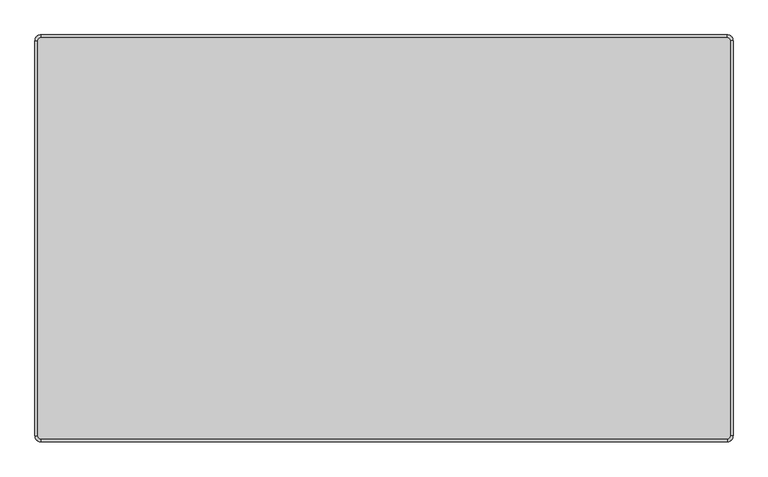
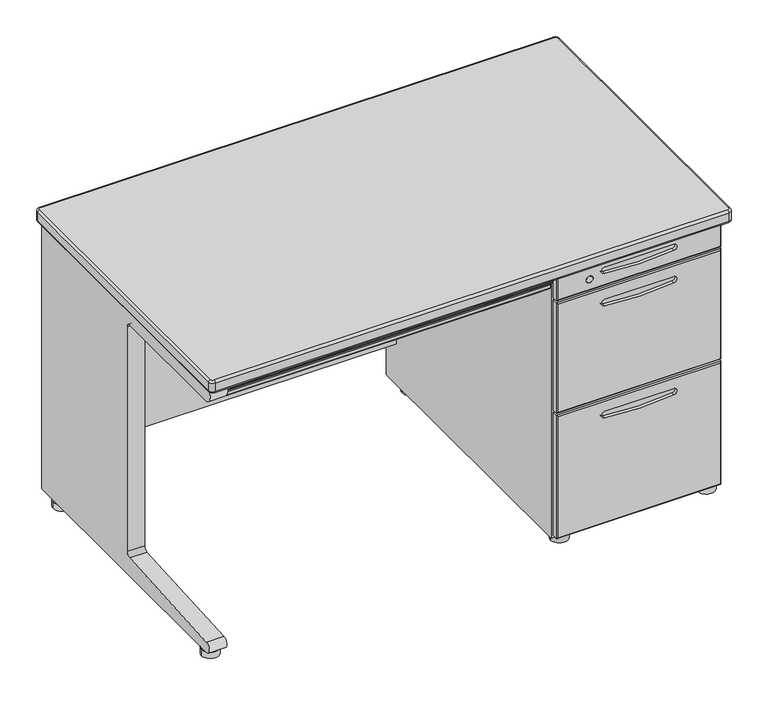
"""IFC4 building model written with IfcOpenShell, lengths in millimetres: furniture geometry."""

from ifc_helpers import new_model, si_unit, point, frame, frame_2d, origin, place, context, project, spatial, polyline, circle_curve, ellipse_curve, trimmed, segment, composite_curve, outline, extrude, source, transform, mapped, element, save
from ifc_brep_helpers import plane_surface, cylinder_surface, revolved_surface, advanced_brep


def furniture_138b15d9(model_context):
    return source(origin(), model_context, "Body", "SolidModel", [
        extrude(outline(composite_curve([segment(trimmed(circle_curve(frame_2d((630.0, 282.0)), 7.5), [point((630.0, 274.5))], [point((630.0, 289.5))], False, "CARTESIAN"), True, "CONTINUOUS"), segment(trimmed(circle_curve(frame_2d((630.0, 282.0)), 7.5), [point((630.0, 289.5))], [point((630.0, 274.5))], False, "CARTESIAN"), True, "CONTINUOUS")], self_intersect=False)), frame((0.0, -330.0, 0.0), z_axis=(0.0, 1.0, 0.0), x_axis=(0.0, 0.0, 1.0)), (0.0, 0.0, 1.0), 2.0),
        advanced_brep(
        [(212.0, -295.0, 0.0), (252.0, -295.0, 0.0), (232.0, -295.0, 0.0), (212.0, -295.0, 15.0), (252.0, -295.0, 15.0), (227.0, -295.0, 15.0), (237.0, -295.0, 15.0), (227.0, -295.0, 20.0), (237.0, -295.0, 20.0), (232.0, -295.0, 20.0)],
        [
            (0, 1, circle_curve(frame((232.0, -295.0, 0.0), z_axis=(0.0, 0.0, -1.0), x_axis=(1.0, 0.0, 0.0)), 20.0)),
            (1, 2),
            (2, 0),
            (1, 0, circle_curve(frame((232.0, -295.0, 0.0), z_axis=(0.0, 0.0, -1.0), x_axis=(1.0, 0.0, 0.0)), 20.0)),
            (3, 4, circle_curve(frame((232.0, -295.0, 15.0), z_axis=(0.0, 0.0, -1.0), x_axis=(1.0, 0.0, 0.0)), 20.0)),
            (4, 1),
            (0, 3),
            (4, 3, circle_curve(frame((232.0, -295.0, 15.0), z_axis=(0.0, 0.0, -1.0), x_axis=(1.0, 0.0, 0.0)), 20.0)),
            (5, 6, circle_curve(frame((232.0, -295.0, 15.0), z_axis=(0.0, 0.0, -1.0), x_axis=(1.0, 0.0, 0.0)), 5.0)),
            (6, 4),
            (3, 5),
            (6, 5, circle_curve(frame((232.0, -295.0, 15.0), z_axis=(0.0, 0.0, -1.0), x_axis=(1.0, 0.0, 0.0)), 5.0)),
            (7, 8, circle_curve(frame((232.0, -295.0, 20.0), z_axis=(0.0, 0.0, -1.0), x_axis=(1.0, 0.0, 0.0)), 5.0)),
            (8, 6),
            (5, 7),
            (8, 7, circle_curve(frame((232.0, -295.0, 20.0), z_axis=(0.0, 0.0, -1.0), x_axis=(1.0, 0.0, 0.0)), 5.0)),
            (9, 8),
            (7, 9),
        ],
        [
            plane_surface(frame((232.0, -295.0, 0.0), z_axis=(0.0, 0.0, -1.0), x_axis=(1.0, 0.0, 0.0))),
            cylinder_surface(frame((232.0, -295.0, 35.0), z_axis=(0.0, 0.0, 1.0), x_axis=(1.0, 0.0, 0.0)), 20.0),
            plane_surface(frame((232.0, -295.0, 15.0), z_axis=(0.0, 0.0, 1.0), x_axis=(1.0, 0.0, 0.0))),
            cylinder_surface(frame((232.0, -295.0, 35.0), z_axis=(0.0, 0.0, 1.0), x_axis=(1.0, 0.0, 0.0)), 5.0),
            plane_surface(frame((232.0, -295.0, 20.0), z_axis=(0.0, 0.0, 1.0), x_axis=(1.0, 0.0, 0.0))),
        ],
        [
            (0, [[1, 2, 3]]),
            (0, [[4, -3, -2]]),
            (1, [[5, 6, -1, 7]]),
            (1, [[8, -7, -4, -6]]),
            (2, [[9, 10, -5, 11]]),
            (2, [[12, -11, -8, -10]]),
            (3, [[13, 14, -9, 15]]),
            (3, [[16, -15, -12, -14]]),
            (4, [[17, -13, 18]]),
            (4, [[-18, -16, -17]]),
        ],
    ),
        advanced_brep(
        [(575.0, -295.0, 20.0), (565.0, -295.0, 20.0), (570.0, -295.0, 20.0), (575.0, -295.0, 15.0), (565.0, -295.0, 15.0), (590.0, -295.0, 15.0), (550.0, -295.0, 15.0), (590.0, -295.0, 0.0), (550.0, -295.0, 0.0), (570.0, -295.0, 0.0)],
        [
            (0, 1, circle_curve(frame((570.0, -295.0, 20.0), z_axis=(0.0, 0.0, 1.0), x_axis=(-1.0, 0.0, 0.0)), 5.0)),
            (1, 2),
            (2, 0),
            (1, 0, circle_curve(frame((570.0, -295.0, 20.0), z_axis=(0.0, 0.0, 1.0), x_axis=(-1.0, 0.0, 0.0)), 5.0)),
            (3, 4, circle_curve(frame((570.0, -295.0, 15.0), z_axis=(0.0, 0.0, 1.0), x_axis=(-1.0, 0.0, 0.0)), 5.0)),
            (4, 1),
            (0, 3),
            (4, 3, circle_curve(frame((570.0, -295.0, 15.0), z_axis=(0.0, 0.0, 1.0), x_axis=(-1.0, 0.0, 0.0)), 5.0)),
            (5, 6, circle_curve(frame((570.0, -295.0, 15.0), z_axis=(0.0, 0.0, 1.0), x_axis=(-1.0, 0.0, 0.0)), 20.0)),
            (6, 4),
            (3, 5),
            (6, 5, circle_curve(frame((570.0, -295.0, 15.0), z_axis=(0.0, 0.0, 1.0), x_axis=(-1.0, 0.0, 0.0)), 20.0)),
            (7, 8, circle_curve(frame((570.0, -295.0, 0.0), z_axis=(0.0, 0.0, 1.0), x_axis=(-1.0, 0.0, 0.0)), 20.0)),
            (8, 6),
            (5, 7),
            (8, 7, circle_curve(frame((570.0, -295.0, 0.0), z_axis=(0.0, 0.0, 1.0), x_axis=(-1.0, 0.0, 0.0)), 20.0)),
            (9, 8),
            (7, 9),
        ],
        [
            plane_surface(frame((570.0, -295.0, 20.0), z_axis=(0.0, 0.0, 1.0), x_axis=(-1.0, 0.0, 0.0))),
            cylinder_surface(frame((570.0, -295.0, 35.0), z_axis=(0.0, 0.0, -1.0), x_axis=(-1.0, 0.0, 0.0)), 5.0),
            plane_surface(frame((570.0, -295.0, 15.0), z_axis=(0.0, 0.0, 1.0), x_axis=(-1.0, 0.0, 0.0))),
            cylinder_surface(frame((570.0, -295.0, 35.0), z_axis=(0.0, 0.0, -1.0), x_axis=(-1.0, 0.0, 0.0)), 20.0),
            plane_surface(frame((570.0, -295.0, 0.0), z_axis=(0.0, 0.0, -1.0), x_axis=(-1.0, 0.0, 0.0))),
        ],
        [
            (0, [[1, 2, 3]]),
            (0, [[4, -3, -2]]),
            (1, [[5, 6, -1, 7]]),
            (1, [[8, -7, -4, -6]]),
            (2, [[9, 10, -5, 11]]),
            (2, [[12, -11, -8, -10]]),
            (3, [[13, 14, -9, 15]]),
            (3, [[16, -15, -12, -14]]),
            (4, [[17, -13, 18]]),
            (4, [[-18, -16, -17]]),
        ],
    ),
        advanced_brep(
        [(237.0, 295.0, 20.0), (227.0, 295.0, 20.0), (227.0, 295.0, 15.0), (237.0, 295.0, 15.0), (232.0, 295.0, 20.0), (252.0, 295.0, 0.0), (212.0, 295.0, 0.0), (232.0, 295.0, 0.0), (252.0, 295.0, 15.0), (212.0, 295.0, 15.0)],
        [
            (0, 1, circle_curve(frame((232.0, 295.0, 20.0), z_axis=(0.0, 0.0, -1.0), x_axis=(-1.0, 0.0, 0.0)), 5.0)),
            (1, 2),
            (2, 3, circle_curve(frame((232.0, 295.0, 15.0), z_axis=(0.0, 0.0, 1.0), x_axis=(-1.0, 0.0, 0.0)), 5.0)),
            (3, 0),
            (1, 0, circle_curve(frame((232.0, 295.0, 20.0), z_axis=(0.0, 0.0, -1.0), x_axis=(-1.0, 0.0, 0.0)), 5.0)),
            (3, 2, circle_curve(frame((232.0, 295.0, 15.0), z_axis=(0.0, 0.0, 1.0), x_axis=(-1.0, 0.0, 0.0)), 5.0)),
            (4, 1),
            (0, 4),
            (5, 6, circle_curve(frame((232.0, 295.0, 0.0), z_axis=(0.0, 0.0, -1.0), x_axis=(-1.0, 0.0, 0.0)), 20.0)),
            (6, 7),
            (7, 5),
            (6, 5, circle_curve(frame((232.0, 295.0, 0.0), z_axis=(0.0, 0.0, -1.0), x_axis=(-1.0, 0.0, 0.0)), 20.0)),
            (8, 9, circle_curve(frame((232.0, 295.0, 15.0), z_axis=(0.0, 0.0, -1.0), x_axis=(-1.0, 0.0, 0.0)), 20.0)),
            (9, 6),
            (5, 8),
            (9, 8, circle_curve(frame((232.0, 295.0, 15.0), z_axis=(0.0, 0.0, -1.0), x_axis=(-1.0, 0.0, 0.0)), 20.0)),
            (2, 9),
            (8, 3),
        ],
        [
            cylinder_surface(frame((232.0, 295.0, 35.0), z_axis=(0.0, 0.0, 1.0), x_axis=(-1.0, 0.0, 0.0)), 5.0),
            plane_surface(frame((232.0, 295.0, 20.0), z_axis=(0.0, 0.0, 1.0), x_axis=(-1.0, 0.0, 0.0))),
            plane_surface(frame((232.0, 295.0, 0.0), z_axis=(0.0, 0.0, -1.0), x_axis=(-1.0, 0.0, 0.0))),
            cylinder_surface(frame((232.0, 295.0, 35.0), z_axis=(0.0, 0.0, 1.0), x_axis=(-1.0, 0.0, 0.0)), 20.0),
            plane_surface(frame((232.0, 295.0, 15.0), z_axis=(0.0, 0.0, 1.0), x_axis=(-1.0, 0.0, 0.0))),
        ],
        [
            (0, [[1, 2, 3, 4]]),
            (0, [[5, -4, 6, -2]]),
            (1, [[7, -1, 8]]),
            (1, [[-8, -5, -7]]),
            (2, [[9, 10, 11]]),
            (2, [[12, -11, -10]]),
            (3, [[13, 14, -9, 15]]),
            (3, [[16, -15, -12, -14]]),
            (4, [[-3, 17, -13, 18]]),
            (4, [[-6, -18, -16, -17]]),
        ],
    ),
        advanced_brep(
        [(550.0, 295.0, 15.0), (590.0, 295.0, 15.0), (575.0, 295.0, 15.0), (565.0, 295.0, 15.0), (550.0, 295.0, 0.0), (590.0, 295.0, 0.0), (570.0, 295.0, 0.0), (565.0, 295.0, 20.0), (575.0, 295.0, 20.0), (570.0, 295.0, 20.0)],
        [
            (0, 1, circle_curve(frame((570.0, 295.0, 15.0), z_axis=(0.0, 0.0, 1.0), x_axis=(1.0, 0.0, 0.0)), 20.0)),
            (1, 2),
            (2, 3, circle_curve(frame((570.0, 295.0, 15.0), z_axis=(0.0, 0.0, -1.0), x_axis=(1.0, 0.0, 0.0)), 5.0)),
            (3, 0),
            (1, 0, circle_curve(frame((570.0, 295.0, 15.0), z_axis=(0.0, 0.0, 1.0), x_axis=(1.0, 0.0, 0.0)), 20.0)),
            (3, 2, circle_curve(frame((570.0, 295.0, 15.0), z_axis=(0.0, 0.0, -1.0), x_axis=(1.0, 0.0, 0.0)), 5.0)),
            (4, 5, circle_curve(frame((570.0, 295.0, 0.0), z_axis=(0.0, 0.0, 1.0), x_axis=(1.0, 0.0, 0.0)), 20.0)),
            (5, 1),
            (0, 4),
            (5, 4, circle_curve(frame((570.0, 295.0, 0.0), z_axis=(0.0, 0.0, 1.0), x_axis=(1.0, 0.0, 0.0)), 20.0)),
            (6, 5),
            (4, 6),
            (7, 8, circle_curve(frame((570.0, 295.0, 20.0), z_axis=(0.0, 0.0, 1.0), x_axis=(1.0, 0.0, 0.0)), 5.0)),
            (8, 9),
            (9, 7),
            (8, 7, circle_curve(frame((570.0, 295.0, 20.0), z_axis=(0.0, 0.0, 1.0), x_axis=(1.0, 0.0, 0.0)), 5.0)),
            (2, 8),
            (7, 3),
        ],
        [
            plane_surface(frame((570.0, 295.0, 15.0), z_axis=(0.0, 0.0, 1.0), x_axis=(1.0, 0.0, 0.0))),
            cylinder_surface(frame((570.0, 295.0, 35.0), z_axis=(0.0, 0.0, -1.0), x_axis=(1.0, 0.0, 0.0)), 20.0),
            plane_surface(frame((570.0, 295.0, 0.0), z_axis=(0.0, 0.0, -1.0), x_axis=(1.0, 0.0, 0.0))),
            plane_surface(frame((570.0, 295.0, 20.0), z_axis=(0.0, 0.0, 1.0), x_axis=(1.0, 0.0, 0.0))),
            cylinder_surface(frame((570.0, 295.0, 35.0), z_axis=(0.0, 0.0, -1.0), x_axis=(1.0, 0.0, 0.0)), 5.0),
        ],
        [
            (0, [[1, 2, 3, 4]]),
            (0, [[5, -4, 6, -2]]),
            (1, [[7, 8, -1, 9]]),
            (1, [[10, -9, -5, -8]]),
            (2, [[11, -7, 12]]),
            (2, [[-12, -10, -11]]),
            (3, [[13, 14, 15]]),
            (3, [[16, -15, -14]]),
            (4, [[-3, 17, -13, 18]]),
            (4, [[-6, -18, -16, -17]]),
        ],
    ),
        advanced_brep(
        [(-575.0, 295.0, 20.0), (-565.0, 295.0, 20.0), (-570.0, 295.0, 20.0), (-575.0, 295.0, 15.0), (-565.0, 295.0, 15.0), (-590.0, 295.0, 15.0), (-550.0, 295.0, 15.0), (-590.0, 295.0, 0.0), (-550.0, 295.0, 0.0), (-570.0, 295.0, 0.0)],
        [
            (0, 1, circle_curve(frame((-570.0, 295.0, 20.0), z_axis=(0.0, 0.0, 1.0), x_axis=(1.0, 0.0, 0.0)), 5.0)),
            (1, 2),
            (2, 0),
            (1, 0, circle_curve(frame((-570.0, 295.0, 20.0), z_axis=(0.0, 0.0, 1.0), x_axis=(1.0, 0.0, 0.0)), 5.0)),
            (3, 4, circle_curve(frame((-570.0, 295.0, 15.0), z_axis=(0.0, 0.0, 1.0), x_axis=(1.0, 0.0, 0.0)), 5.0)),
            (4, 1),
            (0, 3),
            (4, 3, circle_curve(frame((-570.0, 295.0, 15.0), z_axis=(0.0, 0.0, 1.0), x_axis=(1.0, 0.0, 0.0)), 5.0)),
            (5, 6, circle_curve(frame((-570.0, 295.0, 15.0), z_axis=(0.0, 0.0, 1.0), x_axis=(1.0, 0.0, 0.0)), 20.0)),
            (6, 4),
            (3, 5),
            (6, 5, circle_curve(frame((-570.0, 295.0, 15.0), z_axis=(0.0, 0.0, 1.0), x_axis=(1.0, 0.0, 0.0)), 20.0)),
            (7, 8, circle_curve(frame((-570.0, 295.0, 0.0), z_axis=(0.0, 0.0, 1.0), x_axis=(1.0, 0.0, 0.0)), 20.0)),
            (8, 6),
            (5, 7),
            (8, 7, circle_curve(frame((-570.0, 295.0, 0.0), z_axis=(0.0, 0.0, 1.0), x_axis=(1.0, 0.0, 0.0)), 20.0)),
            (9, 8),
            (7, 9),
        ],
        [
            plane_surface(frame((-570.0, 295.0, 20.0), z_axis=(0.0, 0.0, 1.0), x_axis=(1.0, 0.0, 0.0))),
            cylinder_surface(frame((-570.0, 295.0, 33.0671911), z_axis=(0.0, 0.0, -1.0), x_axis=(1.0, 0.0, 0.0)), 5.0),
            plane_surface(frame((-570.0, 295.0, 15.0), z_axis=(0.0, 0.0, 1.0), x_axis=(1.0, 0.0, 0.0))),
            cylinder_surface(frame((-570.0, 295.0, 33.0671911), z_axis=(0.0, 0.0, -1.0), x_axis=(1.0, 0.0, 0.0)), 20.0),
            plane_surface(frame((-570.0, 295.0, 0.0), z_axis=(0.0, 0.0, -1.0), x_axis=(1.0, 0.0, 0.0))),
        ],
        [
            (0, [[1, 2, 3]]),
            (0, [[4, -3, -2]]),
            (1, [[5, 6, -1, 7]]),
            (1, [[8, -7, -4, -6]]),
            (2, [[9, 10, -5, 11]]),
            (2, [[12, -11, -8, -10]]),
            (3, [[13, 14, -9, 15]]),
            (3, [[16, -15, -12, -14]]),
            (4, [[17, -13, 18]]),
            (4, [[-18, -16, -17]]),
        ],
    ),
        advanced_brep(
        [(-565.0, -295.0, 20.0), (-575.0, -295.0, 20.0), (-570.0, -295.0, 20.0), (-565.0, -295.0, 15.0), (-575.0, -295.0, 15.0), (-550.0, -295.0, 15.0), (-590.0, -295.0, 15.0), (-550.0, -295.0, 0.0), (-590.0, -295.0, 0.0), (-570.0, -295.0, 0.0)],
        [
            (0, 1, circle_curve(frame((-570.0, -295.0, 20.0), z_axis=(0.0, 0.0, 1.0), x_axis=(-1.0, 0.0, 0.0)), 5.0)),
            (1, 2),
            (2, 0),
            (1, 0, circle_curve(frame((-570.0, -295.0, 20.0), z_axis=(0.0, 0.0, 1.0), x_axis=(-1.0, 0.0, 0.0)), 5.0)),
            (3, 4, circle_curve(frame((-570.0, -295.0, 15.0), z_axis=(0.0, 0.0, 1.0), x_axis=(-1.0, 0.0, 0.0)), 5.0)),
            (4, 1),
            (0, 3),
            (4, 3, circle_curve(frame((-570.0, -295.0, 15.0), z_axis=(0.0, 0.0, 1.0), x_axis=(-1.0, 0.0, 0.0)), 5.0)),
            (5, 6, circle_curve(frame((-570.0, -295.0, 15.0), z_axis=(0.0, 0.0, 1.0), x_axis=(-1.0, 0.0, 0.0)), 20.0)),
            (6, 4),
            (3, 5),
            (6, 5, circle_curve(frame((-570.0, -295.0, 15.0), z_axis=(0.0, 0.0, 1.0), x_axis=(-1.0, 0.0, 0.0)), 20.0)),
            (7, 8, circle_curve(frame((-570.0, -295.0, 0.0), z_axis=(0.0, 0.0, 1.0), x_axis=(-1.0, 0.0, 0.0)), 20.0)),
            (8, 6),
            (5, 7),
            (8, 7, circle_curve(frame((-570.0, -295.0, 0.0), z_axis=(0.0, 0.0, 1.0), x_axis=(-1.0, 0.0, 0.0)), 20.0)),
            (9, 8),
            (7, 9),
        ],
        [
            plane_surface(frame((-570.0, -295.0, 20.0), z_axis=(0.0, 0.0, 1.0), x_axis=(-1.0, 0.0, 0.0))),
            cylinder_surface(frame((-570.0, -295.0, 40.0), z_axis=(0.0, 0.0, -1.0), x_axis=(-1.0, 0.0, 0.0)), 5.0),
            plane_surface(frame((-570.0, -295.0, 15.0), z_axis=(0.0, 0.0, 1.0), x_axis=(-1.0, 0.0, 0.0))),
            cylinder_surface(frame((-570.0, -295.0, 40.0), z_axis=(0.0, 0.0, -1.0), x_axis=(-1.0, 0.0, 0.0)), 20.0),
            plane_surface(frame((-570.0, -295.0, 0.0), z_axis=(0.0, 0.0, -1.0), x_axis=(-1.0, 0.0, 0.0))),
        ],
        [
            (0, [[1, 2, 3]]),
            (0, [[4, -3, -2]]),
            (1, [[5, 6, -1, 7]]),
            (1, [[8, -7, -4, -6]]),
            (2, [[9, 10, -5, 11]]),
            (2, [[12, -11, -8, -10]]),
            (3, [[13, 14, -9, 15]]),
            (3, [[16, -15, -12, -14]]),
            (4, [[17, -13, 18]]),
            (4, [[-18, -16, -17]]),
        ],
    ),
        extrude(outline(composite_curve([segment(polyline([(-327.0, 665.0), (300.0, 665.0), (300.0, 630.0), (-317.0, 630.0)]), True, "CONTINUOUS"), segment(trimmed(circle_curve(frame_2d((-317.0, 633.0)), 3.0), [point((-317.0, 630.0))], [point((-320.0, 633.0))], False, "CARTESIAN"), True, "CONTINUOUS"), segment(polyline([(-320.0, 633.0), (-320.0, 640.4310472)]), True, "CONTINUOUS"), segment(trimmed(circle_curve(frame_2d((-330.0, 640.4310472)), 10.0), [point((-320.0, 640.4310472))], [point((-327.4010129, 650.087406))], True, "CARTESIAN"), True, "CONTINUOUS"), segment(trimmed(circle_curve(frame_2d((-326.488336, 653.4783949)), 3.511664), [point((-327.4010129, 650.087406))], [point((-330.0, 653.4783949))], False, "CARTESIAN"), True, "CONTINUOUS"), segment(polyline([(-330.0, 653.4783949), (-330.0, 662.0)]), True, "CONTINUOUS"), segment(trimmed(circle_curve(frame_2d((-327.0, 662.0)), 3.0), [point((-330.0, 662.0))], [point((-327.0, 665.0))], False, "CARTESIAN"), True, "CONTINUOUS")], self_intersect=False)), frame((-545.0, 0.0, 0.0), z_axis=(1.0, 0.0, 0.0), x_axis=(0.0, 1.0, 0.0)), (0.0, 0.0, 1.0), 742.0),
        advanced_brep(
        [(210.0, -330.0, 605.5), (582.0, -330.0, 605.5), (582.0, -330.0, 667.0), (210.0, -330.0, 667.0), (475.0, -330.0, 647.443073), (475.0, -330.0, 632.443073), (317.0, -330.0, 632.443073), (317.0, -330.0, 647.443073), (290.0, -330.0, 630.0), (274.0, -330.0, 630.0), (585.0, -315.0, 670.0), (585.0, -315.0, 602.5), (207.0, -315.0, 602.5), (207.0, -315.0, 670.0), (207.0, -327.0, 670.0), (585.0, -327.0, 670.0), (207.0, -327.0, 602.5), (585.0, -327.0, 602.5), (475.0, -322.0, 647.443073), (317.0, -322.0, 647.443073), (317.0, -322.0, 632.443073), (475.0, -322.0, 632.443073), (290.0, -328.0, 630.0), (274.0, -328.0, 630.0)],
        [
            (0, 1),
            (1, 2),
            (2, 3),
            (3, 0),
            (4, 5, circle_curve(frame((475.0, -330.0, 639.943073), z_axis=(0.0, 1.0, 0.0), x_axis=(-1.0, 0.0, 0.0)), 7.5)),
            (5, 6, circle_curve(frame((396.0, -330.0, 1244.043073), z_axis=(0.0, 1.0, 0.0), x_axis=(-1.0, 0.0, 0.0)), 616.6810845)),
            (6, 7, circle_curve(frame((317.0, -330.0, 639.943073), z_axis=(0.0, 1.0, 0.0), x_axis=(-1.0, 0.0, 0.0)), 7.5)),
            (7, 4),
            (8, 9, circle_curve(frame((282.0, -330.0, 630.0), z_axis=(0.0, 1.0, 0.0), x_axis=(-1.0, 0.0, 0.0)), 8.0)),
            (9, 8, circle_curve(frame((282.0, -330.0, 630.0), z_axis=(0.0, 1.0, 0.0), x_axis=(-1.0, 0.0, 0.0)), 8.0)),
            (10, 11),
            (11, 12),
            (12, 13),
            (13, 10),
            (13, 14),
            (14, 15),
            (15, 10),
            (12, 16),
            (16, 14),
            (11, 17),
            (17, 16),
            (15, 17),
            (17, 1, ellipse_curve(frame((582.0, -327.0, 605.5), z_axis=(-0.7071067811865475, 0.0, -0.7071067811865475), x_axis=(0.7071067811865476, 0.0, -0.7071067811865474)), 4.2426407, 3.0)),
            (0, 16, ellipse_curve(frame((210.0, -327.0, 605.5), z_axis=(0.7071067811865475, 0.0, -0.7071067811865475), x_axis=(0.7071067811865476, 0.0, 0.7071067811865474)), 4.2426407, 3.0)),
            (15, 2, ellipse_curve(frame((582.0, -327.0, 667.0), z_axis=(0.7071067811865475, 0.0, -0.7071067811865475), x_axis=(0.7071067811865474, 0.0, 0.7071067811865476)), 4.2426407, 3.0)),
            (14, 3, ellipse_curve(frame((210.0, -327.0, 667.0), z_axis=(0.7071067811865475, 0.0, 0.7071067811865475), x_axis=(-0.7071067811865476, 0.0, 0.7071067811865474)), 4.2426407, 3.0)),
            (18, 19),
            (19, 20, circle_curve(frame((317.0, -322.0, 639.943073), z_axis=(0.0, -1.0, 0.0), x_axis=(-1.0, 0.0, 0.0)), 7.5)),
            (20, 21, circle_curve(frame((396.0, -322.0, 1244.043073), z_axis=(0.0, -1.0, 0.0), x_axis=(-1.0, 0.0, 0.0)), 616.6810845)),
            (21, 18, circle_curve(frame((475.0, -322.0, 639.943073), z_axis=(0.0, -1.0, 0.0), x_axis=(-1.0, 0.0, 0.0)), 7.5)),
            (21, 5),
            (4, 18),
            (20, 6),
            (19, 7),
            (22, 23, circle_curve(frame((282.0, -328.0, 630.0), z_axis=(0.0, -1.0, 0.0), x_axis=(-1.0, 0.0, 0.0)), 8.0)),
            (23, 22, circle_curve(frame((282.0, -328.0, 630.0), z_axis=(0.0, -1.0, 0.0), x_axis=(-1.0, 0.0, 0.0)), 8.0)),
            (23, 9),
            (8, 22),
        ],
        [
            plane_surface(frame((207.0, -330.0, 670.0), z_axis=(0.0, -1.0, 0.0), x_axis=(-1.0, 0.0, 0.0))),
            plane_surface(frame((207.0, -315.0, 670.0), z_axis=(0.0, 1.0, 0.0), x_axis=(1.0, 0.0, 0.0))),
            plane_surface(frame((585.0, -330.0, 670.0), z_axis=(0.0, 0.0, 1.0), x_axis=(0.0, 1.0, 0.0))),
            plane_surface(frame((207.0, -330.0, 670.0), z_axis=(-1.0, 0.0, 0.0), x_axis=(0.0, 1.0, 0.0))),
            plane_surface(frame((207.0, -330.0, 602.5), z_axis=(0.0, 0.0, -1.0), x_axis=(0.0, 1.0, 0.0))),
            plane_surface(frame((585.0, -330.0, 602.5), z_axis=(1.0, 0.0, 0.0), x_axis=(0.0, 1.0, 0.0))),
            cylinder_surface(frame((207.0, -327.0, 605.5), z_axis=(1.0, 0.0, 0.0), x_axis=(0.0, -1.0, 0.0)), 3.0),
            cylinder_surface(frame((582.0, -327.0, 602.5), z_axis=(0.0, 0.0, 1.0), x_axis=(0.0, -1.0, 0.0)), 3.0),
            cylinder_surface(frame((585.0, -327.0, 667.0), z_axis=(-1.0, 0.0, 0.0), x_axis=(0.0, -1.0, 0.0)), 3.0),
            cylinder_surface(frame((210.0, -327.0, 670.0), z_axis=(0.0, 0.0, -1.0), x_axis=(0.0, -1.0, 0.0)), 3.0),
            plane_surface(frame((467.5, -322.0, 639.943073), z_axis=(0.0, -1.0, 0.0), x_axis=(0.0, 0.0, 1.0))),
            revolved_surface(polyline([(467.5, -322.0, 639.943073), (467.5, -330.0, 639.943073)]), (475.0, -330.0, 639.943073), (0.0, 1.0, 0.0)),
            revolved_surface(polyline([(-220.6810845, -322.0, 1244.043073), (-220.6810845, -330.0, 1244.043073)]), (396.0, -330.0, 1244.043073), (0.0, 1.0, 0.0)),
            revolved_surface(polyline([(309.5, -322.0, 639.943073), (309.5, -330.0, 639.943073)]), (317.0, -330.0, 639.943073), (0.0, 1.0, 0.0)),
            plane_surface(frame((317.0, -322.0, 647.443073), z_axis=(0.0, 0.0, -1.0), x_axis=(0.0, -1.0, 0.0))),
            plane_surface(frame((274.0, -328.0, 630.0), z_axis=(0.0, -1.0, 0.0), x_axis=(0.0, 0.0, 1.0))),
            revolved_surface(polyline([(274.0, -328.0, 630.0), (274.0, -330.0, 630.0)]), (282.0, -330.0, 630.0), (0.0, 1.0, 0.0)),
        ],
        [
            (0, [[1, 2, 3, 4], [5, 6, 7, 8], [9, 10]]),
            (1, [[11, 12, 13, 14]]),
            (2, [[-14, 15, 16, 17]]),
            (3, [[-13, 18, 19, -15]]),
            (4, [[-12, 20, 21, -18]]),
            (5, [[-11, -17, 22, -20]]),
            (6, [[23, -1, 24, -21]]),
            (7, [[-23, -22, 25, -2]]),
            (8, [[-25, -16, 26, -3]]),
            (9, [[-24, -4, -26, -19]]),
            (10, [[27, 28, 29, 30]]),
            (11, [[-30, 31, -5, 32]]),
            (12, [[-29, 33, -6, -31]]),
            (13, [[-28, 34, -7, -33]]),
            (14, [[-27, -32, -8, -34]]),
            (15, [[35, 36]]),
            (16, [[-36, 37, -9, 38]]),
            (16, [[-35, -38, -10, -37]]),
        ],
    ),
        advanced_brep(
        [(210.0, -330.0, 594.5), (210.0, -330.0, 332.5), (582.0, -330.0, 332.5), (582.0, -330.0, 594.5), (475.0, -330.0, 569.0), (475.0, -330.0, 554.0), (317.0, -330.0, 554.0), (317.0, -330.0, 569.0), (585.0, -315.0, 597.5), (585.0, -315.0, 329.5), (207.0, -315.0, 329.5), (207.0, -315.0, 597.5), (207.0, -327.0, 597.5), (585.0, -327.0, 597.5), (207.0, -327.0, 329.5), (585.0, -327.0, 329.5), (475.0, -322.0, 569.0), (317.0, -322.0, 569.0), (317.0, -322.0, 554.0), (475.0, -322.0, 554.0)],
        [
            (0, 1),
            (1, 2),
            (2, 3),
            (3, 0),
            (4, 5, circle_curve(frame((475.0, -330.0, 561.5), z_axis=(0.0, 1.0, 0.0), x_axis=(-1.0, 0.0, 0.0)), 7.5)),
            (5, 6, circle_curve(frame((396.0, -330.0, 1165.6), z_axis=(0.0, 1.0, 0.0), x_axis=(-1.0, 0.0, 0.0)), 616.6810845)),
            (6, 7, circle_curve(frame((317.0, -330.0, 561.5), z_axis=(0.0, 1.0, 0.0), x_axis=(-1.0, 0.0, 0.0)), 7.5)),
            (7, 4),
            (8, 9),
            (9, 10),
            (10, 11),
            (11, 8),
            (11, 12),
            (12, 13),
            (13, 8),
            (10, 14),
            (14, 12),
            (9, 15),
            (15, 14),
            (13, 15),
            (14, 1, ellipse_curve(frame((210.0, -327.0, 332.5), z_axis=(-0.7071067811865475, 0.0, 0.7071067811865475), x_axis=(-0.7071067811865474, 0.0, -0.7071067811865476)), 4.2426407, 3.0)),
            (0, 12, ellipse_curve(frame((210.0, -327.0, 594.5), z_axis=(-0.7071067811865475, 0.0, -0.7071067811865475), x_axis=(0.7071067811865474, 0.0, -0.7071067811865476)), 4.2426407, 3.0)),
            (15, 2, ellipse_curve(frame((582.0, -327.0, 332.5), z_axis=(-0.7071067811865475, 0.0, -0.7071067811865475), x_axis=(0.7071067811865476, 0.0, -0.7071067811865474)), 4.2426407, 3.0)),
            (13, 3, ellipse_curve(frame((582.0, -327.0, 594.5), z_axis=(0.7071067811865475, 0.0, -0.7071067811865475), x_axis=(0.7071067811865474, 0.0, 0.7071067811865476)), 4.2426407, 3.0)),
            (16, 17),
            (17, 18, circle_curve(frame((317.0, -322.0, 561.5), z_axis=(0.0, -1.0, 0.0), x_axis=(-1.0, 0.0, 0.0)), 7.5)),
            (18, 19, circle_curve(frame((396.0, -322.0, 1165.6), z_axis=(0.0, -1.0, 0.0), x_axis=(-1.0, 0.0, 0.0)), 616.6810845)),
            (19, 16, circle_curve(frame((475.0, -322.0, 561.5), z_axis=(0.0, -1.0, 0.0), x_axis=(-1.0, 0.0, 0.0)), 7.5)),
            (19, 5),
            (4, 16),
            (18, 6),
            (17, 7),
        ],
        [
            plane_surface(frame((207.0, -330.0, 670.0), z_axis=(0.0, -1.0, 0.0), x_axis=(-1.0, 0.0, 0.0))),
            plane_surface(frame((207.0, -315.0, 670.0), z_axis=(0.0, 1.0, 0.0), x_axis=(1.0, 0.0, 0.0))),
            plane_surface(frame((585.0, -330.0, 597.5), z_axis=(0.0, 0.0, 1.0), x_axis=(0.0, 1.0, 0.0))),
            plane_surface(frame((207.0, -330.0, 597.5), z_axis=(-1.0, 0.0, 0.0), x_axis=(0.0, 1.0, 0.0))),
            plane_surface(frame((207.0, -330.0, 329.5), z_axis=(0.0, 0.0, -1.0), x_axis=(0.0, 1.0, 0.0))),
            plane_surface(frame((585.0, -330.0, 329.5), z_axis=(1.0, 0.0, 0.0), x_axis=(0.0, 1.0, 0.0))),
            cylinder_surface(frame((210.0, -327.0, 597.5), z_axis=(0.0, 0.0, -1.0), x_axis=(1.0, 0.0, 0.0)), 3.0),
            cylinder_surface(frame((207.0, -327.0, 332.5), z_axis=(1.0, 0.0, 0.0), x_axis=(0.0, 0.0, 1.0)), 3.0),
            cylinder_surface(frame((582.0, -327.0, 329.5), z_axis=(0.0, 0.0, 1.0), x_axis=(-1.0, 0.0, 0.0)), 3.0),
            cylinder_surface(frame((585.0, -327.0, 594.5), z_axis=(-1.0, 0.0, 0.0), x_axis=(0.0, 0.0, -1.0)), 3.0),
            plane_surface(frame((467.5, -322.0, 561.5), z_axis=(0.0, -1.0, 0.0), x_axis=(0.0, 0.0, 1.0))),
            revolved_surface(polyline([(467.5, -322.0, 561.5), (467.5, -330.0, 561.5)]), (475.0, -330.0, 561.5), (0.0, 1.0, 0.0)),
            revolved_surface(polyline([(-220.6810845, -322.0, 1165.6), (-220.6810845, -330.0, 1165.6)]), (396.0, -330.0, 1165.6), (0.0, 1.0, 0.0)),
            revolved_surface(polyline([(309.5, -322.0, 561.5), (309.5, -330.0, 561.5)]), (317.0, -330.0, 561.5), (0.0, 1.0, 0.0)),
            plane_surface(frame((317.0, -322.0, 569.0), z_axis=(0.0, 0.0, -1.0), x_axis=(0.0, -1.0, 0.0))),
        ],
        [
            (0, [[1, 2, 3, 4], [5, 6, 7, 8]]),
            (1, [[9, 10, 11, 12]]),
            (2, [[-12, 13, 14, 15]]),
            (3, [[-11, 16, 17, -13]]),
            (4, [[-10, 18, 19, -16]]),
            (5, [[-9, -15, 20, -18]]),
            (6, [[21, -1, 22, -17]]),
            (7, [[-21, -19, 23, -2]]),
            (8, [[-23, -20, 24, -3]]),
            (9, [[-22, -4, -24, -14]]),
            (10, [[25, 26, 27, 28]]),
            (11, [[-28, 29, -5, 30]]),
            (12, [[-27, 31, -6, -29]]),
            (13, [[-26, 32, -7, -31]]),
            (14, [[-25, -30, -8, -32]]),
        ],
    ),
        advanced_brep(
        [(210.0, -330.0, 321.5), (210.0, -330.0, 28.0), (582.0, -330.0, 28.0), (582.0, -330.0, 321.5), (475.0, -330.0, 297.0), (475.0, -330.0, 282.0), (317.0, -330.0, 282.0), (317.0, -330.0, 297.0), (585.0, -315.0, 324.5), (585.0, -315.0, 25.0), (207.0, -315.0, 25.0), (207.0, -315.0, 324.5), (207.0, -327.0, 324.5), (585.0, -327.0, 324.5), (207.0, -327.0, 25.0), (585.0, -327.0, 25.0), (475.0, -322.0, 297.0), (317.0, -322.0, 297.0), (317.0, -322.0, 282.0), (475.0, -322.0, 282.0)],
        [
            (0, 1),
            (1, 2),
            (2, 3),
            (3, 0),
            (4, 5, circle_curve(frame((475.0, -330.0, 289.5), z_axis=(0.0, 1.0, 0.0), x_axis=(-1.0, 0.0, 0.0)), 7.5)),
            (5, 6, circle_curve(frame((396.0, -330.0, 893.6), z_axis=(0.0, 1.0, 0.0), x_axis=(-1.0, 0.0, 0.0)), 616.6810845)),
            (6, 7, circle_curve(frame((317.0, -330.0, 289.5), z_axis=(0.0, 1.0, 0.0), x_axis=(-1.0, 0.0, 0.0)), 7.5)),
            (7, 4),
            (8, 9),
            (9, 10),
            (10, 11),
            (11, 8),
            (11, 12),
            (12, 13),
            (13, 8),
            (10, 14),
            (14, 12),
            (9, 15),
            (15, 14),
            (13, 15),
            (16, 17),
            (17, 18, circle_curve(frame((317.0, -322.0, 289.5), z_axis=(0.0, -1.0, 0.0), x_axis=(-1.0, 0.0, 0.0)), 7.5)),
            (18, 19, circle_curve(frame((396.0, -322.0, 893.6), z_axis=(0.0, -1.0, 0.0), x_axis=(-1.0, 0.0, 0.0)), 616.6810845)),
            (19, 16, circle_curve(frame((475.0, -322.0, 289.5), z_axis=(0.0, -1.0, 0.0), x_axis=(-1.0, 0.0, 0.0)), 7.5)),
            (19, 5),
            (4, 16),
            (18, 6),
            (17, 7),
            (14, 1, ellipse_curve(frame((210.0, -327.0, 28.0), z_axis=(-0.7071067811865475, 0.0, 0.7071067811865475), x_axis=(-0.7071067811865474, 0.0, -0.7071067811865476)), 4.2426407, 3.0)),
            (0, 12, ellipse_curve(frame((210.0, -327.0, 321.5), z_axis=(-0.7071067811865475, 0.0, -0.7071067811865475), x_axis=(0.7071067811865474, 0.0, -0.7071067811865476)), 4.2426407, 3.0)),
            (15, 2, ellipse_curve(frame((582.0, -327.0, 28.0), z_axis=(-0.7071067811865475, 0.0, -0.7071067811865475), x_axis=(0.7071067811865476, 0.0, -0.7071067811865474)), 4.2426407, 3.0)),
            (13, 3, ellipse_curve(frame((582.0, -327.0, 321.5), z_axis=(0.7071067811865475, 0.0, -0.7071067811865475), x_axis=(0.7071067811865474, 0.0, 0.7071067811865476)), 4.2426407, 3.0)),
        ],
        [
            plane_surface(frame((207.0, -330.0, 670.0), z_axis=(0.0, -1.0, 0.0), x_axis=(-1.0, 0.0, 0.0))),
            plane_surface(frame((207.0, -315.0, 670.0), z_axis=(0.0, 1.0, 0.0), x_axis=(1.0, 0.0, 0.0))),
            plane_surface(frame((585.0, -330.0, 324.5), z_axis=(0.0, 0.0, 1.0), x_axis=(0.0, 1.0, 0.0))),
            plane_surface(frame((207.0, -330.0, 324.5), z_axis=(-1.0, 0.0, 0.0), x_axis=(0.0, 1.0, 0.0))),
            plane_surface(frame((207.0, -330.0, 25.0), z_axis=(0.0, 0.0, -1.0), x_axis=(0.0, 1.0, 0.0))),
            plane_surface(frame((585.0, -330.0, 25.0), z_axis=(1.0, 0.0, 0.0), x_axis=(0.0, 1.0, 0.0))),
            plane_surface(frame((467.5, -322.0, 289.5), z_axis=(0.0, -1.0, 0.0), x_axis=(0.0, 0.0, 1.0))),
            revolved_surface(polyline([(467.5, -322.0, 289.5), (467.5, -330.0, 289.5)]), (475.0, -330.0, 289.5), (0.0, 1.0, 0.0)),
            revolved_surface(polyline([(-220.6810845, -322.0, 893.6), (-220.6810845, -330.0, 893.6)]), (396.0, -330.0, 893.6), (0.0, 1.0, 0.0)),
            revolved_surface(polyline([(309.5, -322.0, 289.5), (309.5, -330.0, 289.5)]), (317.0, -330.0, 289.5), (0.0, 1.0, 0.0)),
            plane_surface(frame((317.0, -322.0, 297.0), z_axis=(0.0, 0.0, -1.0), x_axis=(0.0, -1.0, 0.0))),
            cylinder_surface(frame((210.0, -327.0, 324.5), z_axis=(0.0, 0.0, -1.0), x_axis=(1.0, 0.0, 0.0)), 3.0),
            cylinder_surface(frame((207.0, -327.0, 28.0), z_axis=(1.0, 0.0, 0.0), x_axis=(0.0, 0.0, 1.0)), 3.0),
            cylinder_surface(frame((582.0, -327.0, 25.0), z_axis=(0.0, 0.0, 1.0), x_axis=(-1.0, 0.0, 0.0)), 3.0),
            cylinder_surface(frame((585.0, -327.0, 321.5), z_axis=(-1.0, 0.0, 0.0), x_axis=(0.0, 0.0, -1.0)), 3.0),
        ],
        [
            (0, [[1, 2, 3, 4], [5, 6, 7, 8]]),
            (1, [[9, 10, 11, 12]]),
            (2, [[-12, 13, 14, 15]]),
            (3, [[-11, 16, 17, -13]]),
            (4, [[-10, 18, 19, -16]]),
            (5, [[-9, -15, 20, -18]]),
            (6, [[21, 22, 23, 24]]),
            (7, [[-24, 25, -5, 26]]),
            (8, [[-23, 27, -6, -25]]),
            (9, [[-22, 28, -7, -27]]),
            (10, [[-21, -26, -8, -28]]),
            (11, [[29, -1, 30, -17]]),
            (12, [[-29, -19, 31, -2]]),
            (13, [[-31, -20, 32, -3]]),
            (14, [[-30, -4, -32, -14]]),
        ],
    ),
        advanced_brep(
        [(-590.0, 345.0, 700.0), (-595.0, 340.0, 700.0), (-595.0, -340.0, 700.0), (-590.0, -345.0, 700.0), (590.0, -345.0, 700.0), (595.0, -340.0, 700.0), (595.0, 340.0, 700.0), (590.0, 345.0, 700.0), (-595.0, 340.0, 670.0), (-590.0, 345.0, 670.0), (590.0, 345.0, 670.0), (595.0, 340.0, 670.0), (595.0, -340.0, 670.0), (590.0, -345.0, 670.0), (-590.0, -345.0, 670.0), (-595.0, -340.0, 670.0), (590.0, 350.0, 695.0000213), (590.0, 350.0, 675.0), (-590.0, 350.0, 675.0), (-590.0, 350.0, 695.0000153), (-600.0, 340.0, 675.0), (-600.0, 340.0, 695.0000196), (-600.0, -340.0, 675.0), (-600.0, -340.0, 695.0), (-590.0, -350.0, 675.0), (-590.0, -350.0, 695.0000202), (590.0, -350.0, 675.0), (590.0, -350.0, 695.0), (600.0, -340.0, 675.0), (600.0, -340.0, 695.0000218), (600.0, 340.0, 675.0), (600.0, 340.0, 695.0)],
        [
            (0, 1, circle_curve(frame((-590.0, 340.0, 700.0), z_axis=(0.0, 0.0, 1.0), x_axis=(0.0, 1.0, 0.0)), 5.0)),
            (1, 2),
            (2, 3, circle_curve(frame((-590.0, -340.0, 700.0), z_axis=(0.0, 0.0, 1.0), x_axis=(-1.0, 0.0, 0.0)), 5.0)),
            (3, 4),
            (4, 5, circle_curve(frame((590.0, -340.0, 700.0), z_axis=(0.0, 0.0, 1.0), x_axis=(0.0, -1.0, 0.0)), 5.0)),
            (5, 6),
            (6, 7, circle_curve(frame((590.0, 340.0, 700.0), z_axis=(0.0, 0.0, 1.0), x_axis=(1.0, 0.0, 0.0)), 5.0)),
            (7, 0),
            (8, 9, circle_curve(frame((-590.0, 340.0, 670.0), z_axis=(0.0, 0.0, -1.0), x_axis=(0.0, 1.0, 0.0)), 5.0)),
            (9, 10),
            (10, 11, circle_curve(frame((590.0, 340.0, 670.0), z_axis=(0.0, 0.0, -1.0), x_axis=(1.0, 0.0, 0.0)), 5.0)),
            (11, 12),
            (12, 13, circle_curve(frame((590.0, -340.0, 670.0), z_axis=(0.0, 0.0, -1.0), x_axis=(0.0, -1.0, 0.0)), 5.0)),
            (13, 14),
            (14, 15, circle_curve(frame((-590.0, -340.0, 670.0), z_axis=(0.0, 0.0, -1.0), x_axis=(-1.0, 0.0, 0.0)), 5.0)),
            (15, 8),
            (16, 17),
            (17, 18),
            (18, 19),
            (19, 16),
            (18, 20, circle_curve(frame((-590.0, 340.0, 675.0), z_axis=(0.0, 0.0, 1.0), x_axis=(1.0, 0.0, 0.0)), 10.0)),
            (20, 21),
            (21, 19, circle_curve(frame((-590.0, 340.0, 695.0), z_axis=(0.0, 0.0, -1.0), x_axis=(1.0, 0.0, 0.0)), 10.0)),
            (20, 22),
            (22, 23),
            (23, 21),
            (22, 24, circle_curve(frame((-590.0, -340.0, 675.0), z_axis=(0.0, 0.0, 1.0), x_axis=(1.0, 0.0, 0.0)), 10.0)),
            (24, 25),
            (25, 23, circle_curve(frame((-590.0, -340.0, 695.0), z_axis=(0.0, 0.0, -1.0), x_axis=(1.0, 0.0, 0.0)), 10.0)),
            (24, 26),
            (26, 27),
            (27, 25),
            (26, 28, circle_curve(frame((590.0, -340.0, 675.0), z_axis=(0.0, 0.0, 1.0), x_axis=(1.0, 0.0, 0.0)), 10.0)),
            (28, 29),
            (29, 27, circle_curve(frame((590.0, -340.0, 695.0), z_axis=(0.0, 0.0, -1.0), x_axis=(1.0, 0.0, 0.0)), 10.0)),
            (28, 30),
            (30, 31),
            (31, 29),
            (16, 31, circle_curve(frame((590.0, 340.0, 695.0), z_axis=(0.0, 0.0, -1.0), x_axis=(1.0, 0.0, 0.0)), 10.0)),
            (30, 17, circle_curve(frame((590.0, 340.0, 675.0), z_axis=(0.0, 0.0, 1.0), x_axis=(1.0, 0.0, 0.0)), 10.0)),
            (21, 1, circle_curve(frame((-595.0, 340.0, 695.0), z_axis=(0.0, 1.0, 0.0), x_axis=(1.0, 0.0, 0.0)), 5.0)),
            (0, 19, circle_curve(frame((-590.0, 345.0, 695.0), z_axis=(-1.0, 0.0, 0.0), x_axis=(0.0, -1.0, 0.0)), 5.0)),
            (8, 20, circle_curve(frame((-595.0, 340.0, 675.0), z_axis=(0.0, 1.0, 0.0), x_axis=(1.0, 0.0, 0.0)), 5.0)),
            (18, 9, circle_curve(frame((-590.0, 345.0, 675.0), z_axis=(-1.0, 0.0, 0.0), x_axis=(0.0, -1.0, 0.0)), 5.0)),
            (23, 2, circle_curve(frame((-595.0, -340.0, 695.0), z_axis=(0.0, 1.0, 0.0), x_axis=(1.0, 0.0, 0.0)), 5.0)),
            (15, 22, circle_curve(frame((-595.0, -340.0, 675.0), z_axis=(0.0, 1.0, 0.0), x_axis=(1.0, 0.0, 0.0)), 5.0)),
            (25, 3, circle_curve(frame((-590.0, -345.0, 695.0), z_axis=(-1.0, 0.0, 0.0), x_axis=(0.0, 1.0, 0.0)), 5.0)),
            (14, 24, circle_curve(frame((-590.0, -345.0, 675.0), z_axis=(-1.0, 0.0, 0.0), x_axis=(0.0, 1.0, 0.0)), 5.0)),
            (27, 4, circle_curve(frame((590.0, -345.0, 695.0), z_axis=(-1.0, 0.0, 0.0), x_axis=(0.0, 1.0, 0.0)), 5.0)),
            (13, 26, circle_curve(frame((590.0, -345.0, 675.0), z_axis=(-1.0, 0.0, 0.0), x_axis=(0.0, 1.0, 0.0)), 5.0)),
            (29, 5, circle_curve(frame((595.0, -340.0, 695.0), z_axis=(0.0, -1.0, 0.0), x_axis=(-1.0, 0.0, 0.0)), 5.0)),
            (12, 28, circle_curve(frame((595.0, -340.0, 675.0), z_axis=(0.0, -1.0, 0.0), x_axis=(-1.0, 0.0, 0.0)), 5.0)),
            (31, 6, circle_curve(frame((595.0, 340.0, 695.0), z_axis=(0.0, -1.0, 0.0), x_axis=(-1.0, 0.0, 0.0)), 5.0)),
            (11, 30, circle_curve(frame((595.0, 340.0, 675.0), z_axis=(0.0, -1.0, 0.0), x_axis=(-1.0, 0.0, 0.0)), 5.0)),
            (16, 7, circle_curve(frame((590.0, 345.0, 695.0), z_axis=(1.0, 0.0, 0.0), x_axis=(0.0, -1.0, 0.0)), 5.0)),
            (10, 17, circle_curve(frame((590.0, 345.0, 675.0), z_axis=(1.0, 0.0, 0.0), x_axis=(0.0, -1.0, 0.0)), 5.0)),
        ],
        [
            plane_surface(frame((-590.0, 350.0, 700.0), z_axis=(0.0, 0.0, 1.0), x_axis=(-1.0, 0.0, 0.0))),
            plane_surface(frame((-590.0, 350.0, 670.0), z_axis=(0.0, 0.0, -1.0), x_axis=(1.0, 0.0, 0.0))),
            plane_surface(frame((590.0, 350.0, 700.0), z_axis=(0.0, 1.0, 0.0), x_axis=(0.0, 0.0, -1.0))),
            cylinder_surface(frame((-590.0, 340.0, 670.0), z_axis=(0.0, 0.0, 1.0), x_axis=(1.0, 0.0, 0.0)), 10.0),
            plane_surface(frame((-600.0, 340.0, 700.0), z_axis=(-1.0, 0.0, 0.0), x_axis=(0.0, 0.0, -1.0))),
            cylinder_surface(frame((-590.0, -340.0, 670.0), z_axis=(0.0, 0.0, 1.0), x_axis=(1.0, 0.0, 0.0)), 10.0),
            plane_surface(frame((-590.0, -350.0, 700.0), z_axis=(0.0, -1.0, 0.0), x_axis=(0.0, 0.0, -1.0))),
            cylinder_surface(frame((590.0, -340.0, 670.0), z_axis=(0.0, 0.0, 1.0), x_axis=(1.0, 0.0, 0.0)), 10.0),
            plane_surface(frame((600.0, -340.0, 700.0), z_axis=(1.0, 0.0, 0.0), x_axis=(0.0, 0.0, -1.0))),
            cylinder_surface(frame((590.0, 340.0, 670.0), z_axis=(0.0, 0.0, 1.0), x_axis=(1.0, 0.0, 0.0)), 10.0),
            revolved_surface(trimmed(ellipse_curve(frame((-590.0, 345.0, 695.0), z_axis=(1.0, 0.0, 0.0), x_axis=(0.0, -1.0, 0.0)), 5.0, 5.0), [point((-590.0, 350.0, 695.0))], [point((-590.0, 345.0, 700.0))], True, "CARTESIAN"), (-590.0, 340.0, 700.0), (0.0, 0.0, 1.0)),
            revolved_surface(trimmed(ellipse_curve(frame((-590.0, 345.0, 675.0), z_axis=(1.0, 0.0, 0.0), x_axis=(0.0, -1.0, 0.0)), 5.0, 5.0), [point((-590.0, 345.0, 670.0))], [point((-590.0, 350.0, 675.0))], True, "CARTESIAN"), (-590.0, 340.0, 700.0), (0.0, 0.0, 1.0)),
            cylinder_surface(frame((-595.0, 340.0, 695.0), z_axis=(0.0, -1.0, 0.0), x_axis=(1.0, 0.0, 0.0)), 5.0),
            cylinder_surface(frame((-595.0, 340.0, 675.0), z_axis=(0.0, -1.0, 0.0), x_axis=(1.0, 0.0, 0.0)), 5.0),
            revolved_surface(trimmed(ellipse_curve(frame((-595.0, -340.0, 695.0), z_axis=(0.0, 1.0, 0.0), x_axis=(1.0, 0.0, 0.0)), 5.0, 5.0), [point((-600.0, -340.0, 695.0))], [point((-595.0, -340.0, 700.0))], True, "CARTESIAN"), (-590.0, -340.0, 700.0), (0.0, 0.0, 1.0)),
            revolved_surface(trimmed(ellipse_curve(frame((-595.0, -340.0, 675.0), z_axis=(0.0, 1.0, 0.0), x_axis=(1.0, 0.0, 0.0)), 5.0, 5.0), [point((-595.0, -340.0, 670.0))], [point((-600.0, -340.0, 675.0))], True, "CARTESIAN"), (-590.0, -340.0, 700.0), (0.0, 0.0, 1.0)),
            cylinder_surface(frame((-590.0, -345.0, 695.0), z_axis=(1.0, 0.0, 0.0), x_axis=(0.0, 1.0, 0.0)), 5.0),
            cylinder_surface(frame((-590.0, -345.0, 675.0), z_axis=(1.0, 0.0, 0.0), x_axis=(0.0, 1.0, 0.0)), 5.0),
            revolved_surface(trimmed(ellipse_curve(frame((590.0, -345.0, 695.0), z_axis=(-1.0, 0.0, 0.0), x_axis=(0.0, 1.0, 0.0)), 5.0, 5.0), [point((590.0, -350.0, 695.0))], [point((590.0, -345.0, 700.0))], True, "CARTESIAN"), (590.0, -340.0, 700.0), (0.0, 0.0, 1.0)),
            revolved_surface(trimmed(ellipse_curve(frame((590.0, -345.0, 675.0), z_axis=(-1.0, 0.0, 0.0), x_axis=(0.0, 1.0, 0.0)), 5.0, 5.0), [point((590.0, -345.0, 670.0))], [point((590.0, -350.0, 675.0))], True, "CARTESIAN"), (590.0, -340.0, 700.0), (0.0, 0.0, 1.0)),
            cylinder_surface(frame((595.0, -340.0, 695.0), z_axis=(0.0, 1.0, 0.0), x_axis=(-1.0, 0.0, 0.0)), 5.0),
            cylinder_surface(frame((595.0, -340.0, 675.0), z_axis=(0.0, 1.0, 0.0), x_axis=(-1.0, 0.0, 0.0)), 5.0),
            revolved_surface(trimmed(ellipse_curve(frame((595.0, 340.0, 695.0), z_axis=(0.0, -1.0, 0.0), x_axis=(-1.0, 0.0, 0.0)), 5.0, 5.0), [point((600.0, 340.0, 695.0))], [point((595.0, 340.0, 700.0))], True, "CARTESIAN"), (590.0, 340.0, 700.0), (0.0, 0.0, 1.0)),
            revolved_surface(trimmed(ellipse_curve(frame((595.0, 340.0, 675.0), z_axis=(0.0, -1.0, 0.0), x_axis=(-1.0, 0.0, 0.0)), 5.0, 5.0), [point((595.0, 340.0, 670.0))], [point((600.0, 340.0, 675.0))], True, "CARTESIAN"), (590.0, 340.0, 700.0), (0.0, 0.0, 1.0)),
            cylinder_surface(frame((590.0, 345.0, 695.0), z_axis=(-1.0, 0.0, 0.0), x_axis=(0.0, -1.0, 0.0)), 5.0),
            cylinder_surface(frame((590.0, 345.0, 675.0), z_axis=(-1.0, 0.0, 0.0), x_axis=(0.0, -1.0, 0.0)), 5.0),
        ],
        [
            (0, [[1, 2, 3, 4, 5, 6, 7, 8]]),
            (1, [[9, 10, 11, 12, 13, 14, 15, 16]]),
            (2, [[17, 18, 19, 20]]),
            (3, [[-19, 21, 22, 23]]),
            (4, [[-22, 24, 25, 26]]),
            (5, [[-25, 27, 28, 29]]),
            (6, [[-28, 30, 31, 32]]),
            (7, [[-31, 33, 34, 35]]),
            (8, [[-34, 36, 37, 38]]),
            (9, [[-17, 39, -37, 40]]),
            (10, [[41, -1, 42, -23]]),
            (11, [[43, -21, 44, -9]]),
            (12, [[-41, -26, 45, -2]]),
            (13, [[-43, -16, 46, -24]]),
            (14, [[-45, -29, 47, -3]]),
            (15, [[-46, -15, 48, -27]]),
            (16, [[-47, -32, 49, -4]]),
            (17, [[-48, -14, 50, -30]]),
            (18, [[-49, -35, 51, -5]]),
            (19, [[-50, -13, 52, -33]]),
            (20, [[-51, -38, 53, -6]]),
            (21, [[-52, -12, 54, -36]]),
            (22, [[-53, -39, 55, -7]]),
            (23, [[-54, -11, 56, -40]]),
            (24, [[-42, -8, -55, -20]]),
            (25, [[-44, -18, -56, -10]]),
        ],
    ),
        extrude(outline(polyline([(590.0, 340.0), (590.0, -315.0), (202.0, -315.0), (202.0, 340.0), (590.0, 340.0)])), frame((0.0, 0.0, 20.0), z_axis=(0.0, 0.0, 1.0), x_axis=(1.0, 0.0, 0.0)), (0.0, 0.0, 1.0), 650.0),
        advanced_brep(
        [(-590.0, -315.0, 670.0), (-550.0, -315.0, 670.0), (-550.0, 300.0, 670.0), (202.0, 300.0, 670.0), (202.0, 340.0, 670.0), (-590.0, 340.0, 670.0), (202.0, 340.0, 120.0), (202.0, 300.0, 120.0), (-550.0, 300.0, 120.0), (-550.0, 340.0, 120.0), (-550.0, 340.0, 20.0), (-590.0, 340.0, 20.0), (-590.0, -315.0, 20.0), (-590.0, -315.0, 45.0), (-590.0, -9.3663553, 64.4053108), (-590.0, 0.0, 74.3852153), (-590.0, 0.0, 620.0), (-590.0, -10.0, 630.0), (-590.0, -315.0, 630.0), (-550.0, -315.0, 630.0), (-550.0, -10.0, 630.0), (-550.0, 0.0, 620.0), (-550.0, 0.0, 74.3852153), (-550.0, -9.3663553, 64.4053108), (-550.0, -315.0, 45.0), (-550.0, -315.0, 20.0)],
        [
            (0, 1),
            (1, 2),
            (2, 3),
            (3, 4),
            (4, 5),
            (5, 0),
            (6, 7),
            (7, 8),
            (8, 9),
            (9, 6),
            (4, 6),
            (9, 10),
            (10, 11),
            (11, 5),
            (11, 12),
            (12, 13, circle_curve(frame((-590.0, -315.0, 32.5), z_axis=(-1.0, 0.0, 0.0), x_axis=(0.0, 1.0, 0.0)), 12.5)),
            (13, 14),
            (14, 15, circle_curve(frame((-590.0, -10.0, 74.3852153), z_axis=(1.0, 0.0, 0.0), x_axis=(0.0, 1.0, 0.0)), 10.0)),
            (15, 16),
            (16, 17, circle_curve(frame((-590.0, -10.0, 620.0), z_axis=(1.0, 0.0, 0.0), x_axis=(0.0, 1.0, 0.0)), 10.0)),
            (17, 18),
            (18, 0, circle_curve(frame((-590.0, -309.2320403, 650.0), z_axis=(-1.0, 0.0, 0.0), x_axis=(0.0, 1.0, 0.0)), 20.8151233)),
            (7, 3),
            (2, 8),
            (1, 19, circle_curve(frame((-550.0, -309.2320403, 650.0), z_axis=(1.0, 0.0, 0.0), x_axis=(0.0, 1.0, 0.0)), 20.8151233)),
            (19, 20),
            (20, 21, circle_curve(frame((-550.0, -10.0, 620.0), z_axis=(-1.0, 0.0, 0.0), x_axis=(0.0, 1.0, 0.0)), 10.0)),
            (21, 22),
            (22, 23, circle_curve(frame((-550.0, -10.0, 74.3852153), z_axis=(-1.0, 0.0, 0.0), x_axis=(0.0, 1.0, 0.0)), 10.0)),
            (23, 24),
            (24, 25, circle_curve(frame((-550.0, -315.0, 32.5), z_axis=(1.0, 0.0, 0.0), x_axis=(0.0, 1.0, 0.0)), 12.5)),
            (25, 10),
            (18, 19),
            (17, 20),
            (16, 21),
            (15, 22),
            (14, 23),
            (13, 24),
            (12, 25),
        ],
        [
            plane_surface(frame((-590.0, 340.0, 670.0), z_axis=(0.0, 0.0, 1.0), x_axis=(-1.0, 0.0, 0.0))),
            plane_surface(frame((-590.0, 340.0, 120.0), z_axis=(0.0, 0.0, -1.0), x_axis=(1.0, 0.0, 0.0))),
            plane_surface(frame((202.0, 340.0, 670.0), z_axis=(0.0, 1.0, 0.0), x_axis=(0.0, 0.0, -1.0))),
            plane_surface(frame((-590.0, 340.0, 670.0), z_axis=(-1.0, 0.0, 0.0), x_axis=(0.0, 0.0, -1.0))),
            plane_surface(frame((-590.0, 300.0, 670.0), z_axis=(0.0, -1.0, 0.0), x_axis=(0.0, 0.0, -1.0))),
            plane_surface(frame((202.0, 300.0, 670.0), z_axis=(1.0, 0.0, 0.0), x_axis=(0.0, 0.0, -1.0))),
            plane_surface(frame((-550.0, -288.416917, 650.0), z_axis=(1.0, 0.0, 0.0), x_axis=(0.0, 0.0, 1.0))),
            cylinder_surface(frame((-590.0, -309.2320403, 650.0), z_axis=(1.0, 0.0, 0.0), x_axis=(0.0, 1.0, 0.0)), 20.8151233),
            plane_surface(frame((-550.0, -315.0, 630.0), z_axis=(0.0, 0.0, -1.0), x_axis=(-1.0, 0.0, 0.0))),
            revolved_surface(polyline([(-590.0, 0.0, 620.0), (-550.0, 0.0, 620.0)]), (-590.0, -10.0, 620.0), (-1.0, 0.0, 0.0)),
            plane_surface(frame((-550.0, 0.0, 620.0), z_axis=(0.0, -1.0, 0.0), x_axis=(-1.0, 0.0, 0.0))),
            revolved_surface(polyline([(-590.0, 0.0, 74.3852153), (-550.0, 0.0, 74.3852153)]), (-590.0, -10.0, 74.3852153), (-1.0, 0.0, 0.0)),
            plane_surface(frame((-550.0, -9.3663553, 64.4053108), z_axis=(0.0, -0.06336447318278807, 0.9979904526288154), x_axis=(-1.0, 0.0, 0.0))),
            cylinder_surface(frame((-590.0, -315.0, 32.5), z_axis=(1.0, 0.0, 0.0), x_axis=(0.0, 1.0, 0.0)), 12.5),
            plane_surface(frame((-550.0, -315.0, 20.0), z_axis=(0.0, 0.0, -1.0), x_axis=(-1.0, 0.0, 0.0))),
        ],
        [
            (0, [[1, 2, 3, 4, 5, 6]]),
            (1, [[7, 8, 9, 10]]),
            (2, [[-5, 11, -10, 12, 13, 14]]),
            (3, [[-6, -14, 15, 16, 17, 18, 19, 20, 21, 22]]),
            (4, [[23, -3, 24, -8]]),
            (5, [[-4, -23, -7, -11]]),
            (6, [[25, 26, 27, 28, 29, 30, 31, 32, -12, -9, -24, -2]]),
            (7, [[-25, -1, -22, 33]]),
            (8, [[-26, -33, -21, 34]]),
            (9, [[-27, -34, -20, 35]]),
            (10, [[-28, -35, -19, 36]]),
            (11, [[-29, -36, -18, 37]]),
            (12, [[-30, -37, -17, 38]]),
            (13, [[-31, -38, -16, 39]]),
            (14, [[-32, -39, -15, -13]]),
        ],
    ),
    ])


if __name__ == "__main__":
    model = new_model("IFC4")
    model_context = context("Model", 3, world=origin())
    ifc_project = project(units=[si_unit("LENGTHUNIT", "METRE", prefix="MILLI")], contexts=[model_context])
    site = spatial("IfcSite", under=ifc_project)
    building = spatial("IfcBuilding", under=site)
    placement = place(None, origin())
    furniture_shape = furniture_138b15d9(model_context)
    element("IfcFurniture", 1, at=placement, inside=building, context=model_context, shape_type="MappedRepresentation", body=[
        mapped(furniture_shape, transform((0.0, 0.0, 0.0), x_axis=(1.0, 0.0, 0.0), y_axis=(0.0, 1.0, 0.0), z_axis=(0.0, 0.0, 1.0))),
    ])
    save(model, "model.ifc")
